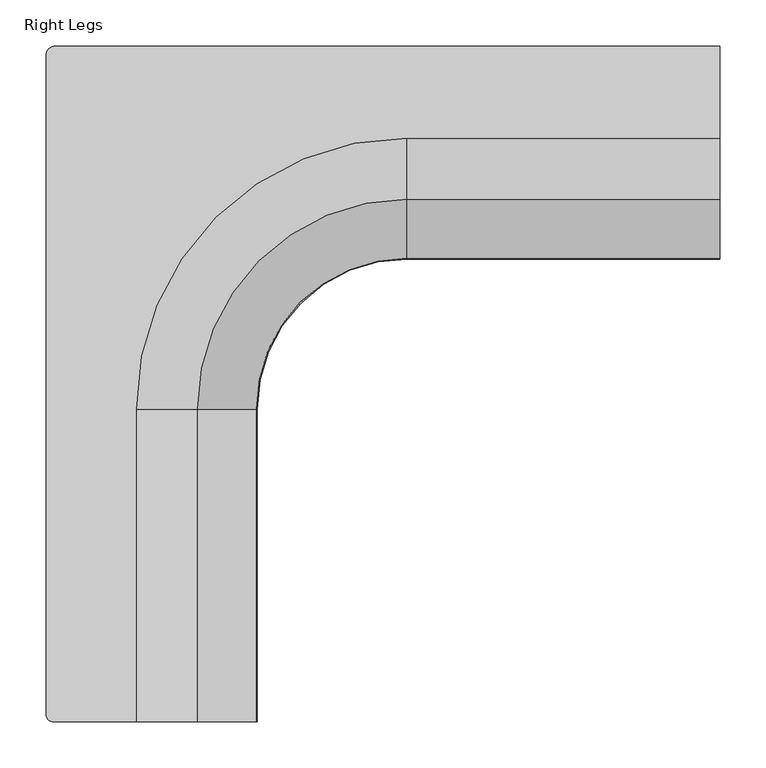
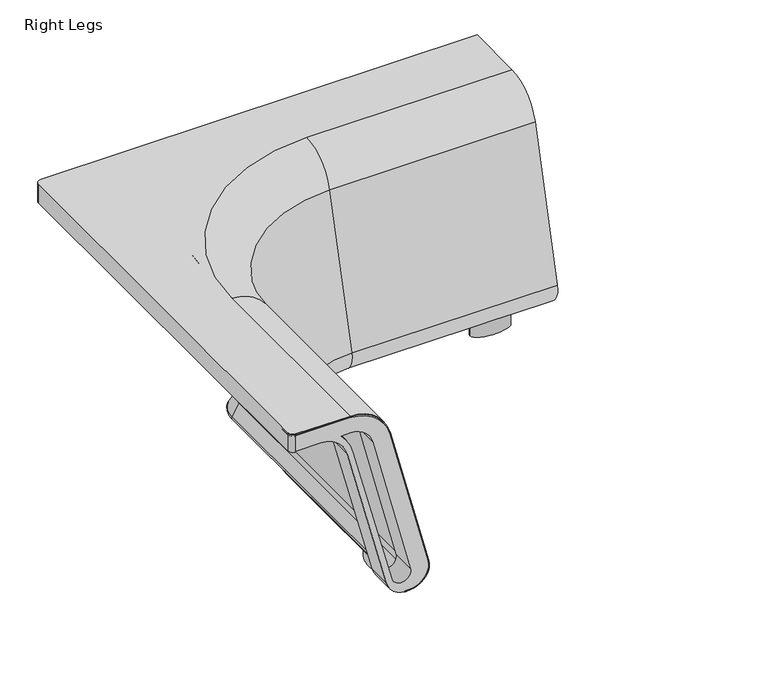
"""IFC4 building model written with IfcOpenShell, lengths in millimetres: furniture geometry, Right Legs."""

from ifc_helpers import new_model, si_unit, point, frame, origin, place, context, project, spatial, polyline, circle_curve, ellipse_curve, trimmed, source, transform, mapped, element, save
from ifc_brep_helpers import plane_surface, cylinder_surface, revolved_surface, extruded_surface, advanced_brep


def right_legs_55390736(model_context):
    return source(origin(), model_context, "Body", "AdvancedBrep", [
        advanced_brep(
        [(4.0928451, -727.9036447, 737.6898792), (4.0928451, -727.9036447, 738.7058792), (4.0928451, -12.4482706, 738.7058792), (4.0928451, -12.4482706, 737.6898792), (4.0928451, -12.4482706, 706.9539877), (4.0928451, -727.9036447, 706.9539877), (14.4529294, -2.0881863, 737.6898792), (14.4529294, -2.0881863, 738.7058792), (736.3766025, -2.0881863, 738.7058792), (736.3766025, -2.0881863, 706.9539877), (14.4529294, -2.0881863, 706.9539877), (11.3999571, -736.2935731, 737.6898792), (12.5630029, -736.3738026, 737.6898792), (12.5630029, -736.3738026, 738.7058792), (736.3753826, -102.0674231, 738.7058792), (736.3745724, -168.4700826, 687.3197435), (736.3737918, -232.4411346, 440.504753), (736.3741779, -200.7960971, 399.6121149), (736.37428, -192.4303931, 399.6121149), (736.37428, -192.4303931, 400.6281149), (736.3741779, -200.7960971, 400.6281149), (736.3738038, -231.4576323, 440.2498427), (736.3745844, -167.4865803, 687.0648332), (736.3753826, -102.0674231, 737.6898792), (736.376583, -3.6883863, 737.6898792), (736.376583, -3.6883863, 706.9539877), (102.0674231, -736.3738026, 738.7058792), (102.0674231, -396.6555944, 738.7058792), (396.6633339, -102.063278, 738.7058792), (396.6625237, -168.4659375, 687.3197435), (396.6617431, -232.4369896, 440.504753), (168.4700826, -396.6555944, 687.3197435), (232.4411346, -396.6555944, 440.504753), (102.0674231, -736.3738026, 737.6898792), (167.4865803, -736.3738026, 687.0648332), (231.4576323, -736.3738026, 440.2498427), (200.7960971, -736.3738026, 400.6281149), (192.4303931, -736.3738026, 400.6281149), (192.4303931, -736.3738026, 399.6121149), (200.7960971, -736.3738026, 399.6121149), (232.4411346, -736.3738026, 440.504753), (168.4700826, -736.3738026, 687.3197435), (396.6621292, -200.7919521, 399.6121149), (200.7960971, -396.6555944, 399.6121149), (192.4303931, -396.6555944, 399.6121149), (396.6622313, -192.4262481, 399.6121149), (396.6622313, -192.4262481, 400.6281149), (192.4303931, -396.6555944, 400.6281149), (200.7960971, -396.6555944, 400.6281149), (396.6621292, -200.7919521, 400.6281149), (396.6617551, -231.4534873, 440.2498427), (396.6625357, -167.4824352, 687.0648332), (396.6633339, -102.063278, 737.6898792), (102.0674231, -396.6555944, 737.6898792), (11.3999571, -734.6744383, 737.6898792), (5.6930451, -727.9036447, 737.6898792), (5.6930451, -12.4482706, 737.6898792), (14.4529294, -3.6883863, 737.6898792), (231.4576323, -396.6555944, 440.2498427), (167.4865803, -396.6555944, 687.0648332), (14.4529294, -3.6883863, 706.9539877), (5.6930451, -12.4482706, 706.9539877), (5.6930451, -727.9036447, 706.9539877), (11.3999571, -734.6744383, 706.9539877), (11.3999571, -736.2935731, 706.9539877)],
        [
            (0, 1),
            (1, 2),
            (2, 3),
            (3, 4),
            (4, 5),
            (5, 0),
            (6, 7),
            (7, 8),
            (8, 9),
            (9, 10),
            (10, 6),
            (0, 11, circle_curve(frame((12.5630029, -727.9036447, 737.6898792), z_axis=(0.0, 0.0, 1.0), x_axis=(1.0, 0.0, 0.0)), 8.4701579)),
            (11, 12, circle_curve(frame((12.5630029, -727.9036447, 737.6898792), z_axis=(0.0, 0.0, 1.0), x_axis=(1.0, 0.0, 0.0)), 8.4701579)),
            (12, 13),
            (13, 1, circle_curve(frame((12.5630029, -727.9036447, 738.7058792), z_axis=(0.0, 0.0, -1.0), x_axis=(1.0, 0.0, 0.0)), 8.4701579)),
            (6, 3, circle_curve(frame((14.4529294, -12.4482706, 737.6898792), z_axis=(0.0, 0.0, 1.0), x_axis=(1.0, 0.0, 0.0)), 10.3600843)),
            (2, 7, circle_curve(frame((14.4529294, -12.4482706, 738.7058792), z_axis=(0.0, 0.0, -1.0), x_axis=(1.0, 0.0, 0.0)), 10.3600843)),
            (14, 15, circle_curve(frame((736.3753826, -102.0674231, 670.1090872), z_axis=(0.9999999999255604, -1.2201603601564117e-05, 0.0), x_axis=(-1.2201603601564117e-05, -0.9999999999255604, 0.0)), 68.5967921)),
            (15, 16),
            (16, 17, circle_curve(frame((736.3741779, -200.7960971, 432.3027944), z_axis=(0.9999999999255604, -1.2201603601564117e-05, 0.0), x_axis=(-1.2201603601564117e-05, -0.9999999999255604, 0.0)), 32.6906795)),
            (17, 18),
            (18, 19),
            (19, 20),
            (20, 21, circle_curve(frame((736.3741779, -200.7960971, 432.3027944), z_axis=(-0.9999999999255604, 1.2201603601564117e-05, 0.0), x_axis=(-1.2201603601564117e-05, -0.9999999999255604, 0.0)), 31.6746795)),
            (21, 22),
            (22, 23, circle_curve(frame((736.3753826, -102.0674231, 670.1090872), z_axis=(-0.9999999999255604, 1.2201603601564117e-05, 0.0), x_axis=(-1.2201603601564117e-05, -0.9999999999255604, 0.0)), 67.5807921)),
            (23, 24),
            (24, 25),
            (25, 9),
            (8, 14),
            (26, 27),
            (27, 28, circle_curve(frame((396.6597394, -396.6555944, 738.7058792), z_axis=(0.0, 0.0, -1.0), x_axis=(1.2201603601028011e-05, 0.9999999999255604, 0.0)), 294.5923163)),
            (28, 14),
            (13, 26),
            (28, 29, circle_curve(frame((396.6633339, -102.063278, 670.1090872), z_axis=(0.9999999999255604, -1.2201603601564117e-05, 0.0), x_axis=(-1.2201603601564117e-05, -0.9999999999255604, 0.0)), 68.5967921)),
            (29, 15),
            (29, 30),
            (30, 16),
            (27, 31, circle_curve(frame((102.0674231, -396.6555944, 670.1090872), z_axis=(0.0, 1.0, 0.0), x_axis=(1.0, 0.0, 0.0)), 68.5967921)),
            (31, 29, circle_curve(frame((396.6597394, -396.6555944, 687.3197435), z_axis=(0.0, 0.0, -1.0), x_axis=(1.2201603601028011e-05, 0.9999999999255604, 0.0)), 228.1896568)),
            (31, 32),
            (32, 30, circle_curve(frame((396.6597394, -396.6555944, 440.504753), z_axis=(0.0, 0.0, -1.0), x_axis=(1.2201603601028011e-05, 0.9999999999255604, 0.0)), 164.2186048)),
            (33, 34, circle_curve(frame((102.0674231, -736.3738026, 670.1090872), z_axis=(0.0, 1.0, 0.0), x_axis=(1.0, 0.0, 0.0)), 67.5807921)),
            (34, 35),
            (35, 36, circle_curve(frame((200.7960971, -736.3738026, 432.3027944), z_axis=(0.0, 1.0, 0.0), x_axis=(1.0, 0.0, 0.0)), 31.6746795)),
            (36, 37),
            (37, 38),
            (38, 39),
            (39, 40, circle_curve(frame((200.7960971, -736.3738026, 432.3027944), z_axis=(0.0, -1.0, 0.0), x_axis=(1.0, 0.0, 0.0)), 32.6906795)),
            (40, 41),
            (41, 26, circle_curve(frame((102.0674231, -736.3738026, 670.1090872), z_axis=(0.0, -1.0, 0.0), x_axis=(1.0, 0.0, 0.0)), 68.5967921)),
            (12, 33),
            (41, 31),
            (40, 32),
            (30, 42, circle_curve(frame((396.6621292, -200.7919521, 432.3027944), z_axis=(0.9999999999255604, -1.2201603601564117e-05, 0.0), x_axis=(-1.2201603601564117e-05, -0.9999999999255604, 0.0)), 32.6906795)),
            (42, 17),
            (42, 43, circle_curve(frame((396.6597394, -396.6555944, 399.6121149), z_axis=(0.0, 0.0, 1.0), x_axis=(1.2201603601028011e-05, 0.9999999999255604, 0.0)), 195.8636423)),
            (43, 39),
            (38, 44),
            (44, 45, circle_curve(frame((396.6597394, -396.6555944, 399.6121149), z_axis=(0.0, 0.0, -1.0), x_axis=(1.2201603601028011e-05, 0.9999999999255604, 0.0)), 204.2293463)),
            (45, 18),
            (32, 43, circle_curve(frame((200.7960971, -396.6555944, 432.3027944), z_axis=(0.0, 1.0, 0.0), x_axis=(1.0, 0.0, 0.0)), 32.6906795)),
            (45, 46),
            (46, 19),
            (46, 47, circle_curve(frame((396.6597394, -396.6555944, 400.6281149), z_axis=(0.0, 0.0, 1.0), x_axis=(1.2201603601028011e-05, 0.9999999999255604, 0.0)), 204.2293463)),
            (47, 37),
            (36, 48),
            (48, 49, circle_curve(frame((396.6597394, -396.6555944, 400.6281149), z_axis=(0.0, 0.0, -1.0), x_axis=(1.2201603601028011e-05, 0.9999999999255604, 0.0)), 195.8636423)),
            (49, 20),
            (49, 50, circle_curve(frame((396.6621292, -200.7919521, 432.3027944), z_axis=(-0.9999999999255604, 1.2201603601564117e-05, 0.0), x_axis=(-1.2201603601564117e-05, -0.9999999999255604, 0.0)), 31.6746795)),
            (50, 21),
            (50, 51),
            (51, 22),
            (51, 52, circle_curve(frame((396.6633339, -102.063278, 670.1090872), z_axis=(-0.9999999999255604, 1.2201603601564117e-05, 0.0), x_axis=(-1.2201603601564117e-05, -0.9999999999255604, 0.0)), 67.5807921)),
            (52, 23),
            (52, 53, circle_curve(frame((396.6597394, -396.6555944, 737.6898792), z_axis=(0.0, 0.0, 1.0), x_axis=(1.2201603601028011e-05, 0.9999999999255604, 0.0)), 294.5923163)),
            (53, 33),
            (11, 54),
            (54, 55, circle_curve(frame((12.5630029, -727.9036447, 737.6898792), z_axis=(0.0, 0.0, -1.0), x_axis=(1.0, 0.0, 0.0)), 6.8699579)),
            (55, 56),
            (56, 57, circle_curve(frame((14.4529294, -12.4482706, 737.6898792), z_axis=(0.0, 0.0, -1.0), x_axis=(1.0, 0.0, 0.0)), 8.7598843)),
            (57, 24),
            (44, 47),
            (48, 58, circle_curve(frame((200.7960971, -396.6555944, 432.3027944), z_axis=(0.0, -1.0, 0.0), x_axis=(1.0, 0.0, 0.0)), 31.6746795)),
            (58, 50, circle_curve(frame((396.6597394, -396.6555944, 440.2498427), z_axis=(0.0, 0.0, -1.0), x_axis=(1.2201603601028011e-05, 0.9999999999255604, 0.0)), 165.2021071)),
            (58, 59),
            (59, 51, circle_curve(frame((396.6597394, -396.6555944, 687.0648332), z_axis=(0.0, 0.0, -1.0), x_axis=(1.2201603601028011e-05, 0.9999999999255604, 0.0)), 229.1731591)),
            (59, 53, circle_curve(frame((102.0674231, -396.6555944, 670.1090872), z_axis=(0.0, -1.0, 0.0), x_axis=(1.0, 0.0, 0.0)), 67.5807921)),
            (35, 58),
            (34, 59),
            (25, 60),
            (60, 61, circle_curve(frame((14.4529294, -12.4482706, 706.9539877), z_axis=(0.0, 0.0, 1.0), x_axis=(1.0, 0.0, 0.0)), 8.7598843)),
            (61, 62),
            (62, 63, circle_curve(frame((12.5630029, -727.9036447, 706.9539877), z_axis=(0.0, 0.0, 1.0), x_axis=(1.0, 0.0, 0.0)), 6.8699579)),
            (63, 64),
            (64, 5, circle_curve(frame((12.5630029, -727.9036447, 706.9539877), z_axis=(0.0, 0.0, -1.0), x_axis=(1.0, 0.0, 0.0)), 8.4701579)),
            (4, 10, circle_curve(frame((14.4529294, -12.4482706, 706.9539877), z_axis=(0.0, 0.0, -1.0), x_axis=(1.0, 0.0, 0.0)), 10.3600843)),
            (64, 11),
            (63, 54),
            (62, 55),
            (61, 56),
            (60, 57),
        ],
        [
            plane_surface(frame((4.0928451, -727.9036447, 1282.6551864), z_axis=(-1.0, 0.0, 0.0), x_axis=(0.0, 0.0, -1.0))),
            plane_surface(frame((14.4529294, -2.0881863, 1282.6551864), z_axis=(0.0, 1.0, 0.0), x_axis=(0.0, 0.0, -1.0))),
            cylinder_surface(frame((12.5630029, -727.9036447, 0.0), z_axis=(0.0, 0.0, -1.0), x_axis=(1.0, 0.0, 0.0)), 8.4701579),
            cylinder_surface(frame((14.4529294, -12.4482706, 0.0), z_axis=(0.0, 0.0, -1.0), x_axis=(1.0, 0.0, 0.0)), 10.3600843),
            plane_surface(frame((736.3738026, -231.5597394, 0.0992188), z_axis=(0.9999999999255604, -1.2201603601564117e-05, 0.0), x_axis=(0.0, 0.0, 1.0))),
            plane_surface(frame((736.3815867, 406.4, 738.7058792), z_axis=(0.0, 0.0, 1.0000000000000002), x_axis=(-0.9999999999255605, 1.2201603600809526e-05, 0.0))),
            cylinder_surface(frame((736.3753826, -102.0674231, 670.1090872), z_axis=(0.9999999999255604, -1.2201603601564117e-05, 0.0), x_axis=(-1.2201603601564117e-05, -0.9999999999255604, 0.0)), 68.5967921),
            plane_surface(frame((736.3745724, -168.4700826, 687.3197435), z_axis=(-1.181132389640143e-05, -0.9680140645005036, 0.25089593617615186), x_axis=(-0.9999999999255605, 1.2201603601407204e-05, 0.0))),
            revolved_surface(trimmed(ellipse_curve(frame((396.6633339, -102.063278, 670.1090872), z_axis=(0.9999999999255604, -1.2201603601028011e-05, 0.0), x_axis=(-1.2201603601028011e-05, -0.9999999999255604, 0.0)), 68.5967921, 68.5967921), [point((396.6633339, -102.063278, 738.7058792))], [point((396.6625237, -168.4659375, 687.3197435))], True, "CARTESIAN"), (396.6597394, -396.6555944, 0.0992188), (0.0, 0.0, 1.0)),
            revolved_surface(polyline([(396.6625237, -168.4659375, 687.3197435), (396.6617431, -232.4369896, 440.504753)]), (396.6597394, -396.6555944, 0.0992188), (0.0, 0.0, 1.0)),
            plane_surface(frame((231.5597394, -736.3738026, 0.0992188), z_axis=(0.0, -1.0, 0.0), x_axis=(0.0, 0.0, 1.0))),
            cylinder_surface(frame((102.0674231, -396.6555944, 670.1090872), z_axis=(0.0, 1.0, 0.0), x_axis=(1.0, 0.0, 0.0)), 68.5967921),
            plane_surface(frame((168.4700826, -396.6555944, 687.3197435), z_axis=(0.9680140645725621, 0.0, 0.25089593617615186), x_axis=(0.0, -1.0, 0.0))),
            cylinder_surface(frame((736.3741779, -200.7960971, 432.3027944), z_axis=(0.9999999999255604, -1.2201603601564117e-05, 0.0), x_axis=(-1.2201603601564117e-05, -0.9999999999255604, 0.0)), 32.6906795),
            plane_surface(frame((736.3741779, -200.7960971, 399.6121149), z_axis=(0.0, 0.0, -1.0000000000000002), x_axis=(-0.9999999999255605, 1.2201603601108366e-05, 0.0))),
            revolved_surface(trimmed(ellipse_curve(frame((396.6621292, -200.7919521, 432.3027944), z_axis=(0.9999999999255604, -1.2201603601028011e-05, 0.0), x_axis=(-1.2201603601028011e-05, -0.9999999999255604, 0.0)), 32.6906795, 32.6906795), [point((396.6617431, -232.4369896, 440.504753))], [point((396.6621292, -200.7919521, 399.6121149))], True, "CARTESIAN"), (396.6597394, -396.6555944, 0.0992188), (0.0, 0.0, 1.0)),
            cylinder_surface(frame((200.7960971, -396.6555944, 432.3027944), z_axis=(0.0, 1.0, 0.0), x_axis=(1.0, 0.0, 0.0)), 32.6906795),
            plane_surface(frame((736.37428, -192.4303931, 399.6121149), z_axis=(1.2201603601805652e-05, 0.9999999999255605, 0.0), x_axis=(-0.9999999999255605, 1.2201603601805652e-05, 0.0))),
            plane_surface(frame((736.37428, -192.4303931, 400.6281149), z_axis=(0.0, 0.0, 1.0000000000000002), x_axis=(-0.9999999999255605, 1.2201603601805652e-05, 0.0))),
            revolved_surface(polyline([(396.661742718117, -232.46663156588494, 432.3027944), (736.3737914380149, -232.4707765976424, 432.3027944)]), (736.3741779, -200.7960971, 432.3027944), (-0.9999999999255604, 1.2201603601564117e-05, 0.0)),
            plane_surface(frame((736.3738038, -231.4576323, 440.2498427), z_axis=(1.181132389717638e-05, 0.9680140645005036, -0.25089593617615186), x_axis=(-0.9999999999255605, 1.2201603602104489e-05, 0.0))),
            revolved_surface(polyline([(396.6625093059629, -169.6440701632121, 670.1090872), (736.3745580245878, -169.64821519496954, 670.1090872)]), (736.3753826, -102.0674231, 670.1090872), (-0.9999999999255604, 1.2201603601564117e-05, 0.0)),
            plane_surface(frame((736.3753826, -102.0674231, 737.6898792), z_axis=(0.0, 0.0, -1.0000000000000002), x_axis=(-0.9999999999255605, 1.2201603601357392e-05, 0.0))),
            cylinder_surface(frame((396.6597394, -396.6555944, 0.0992188), z_axis=(0.0, 0.0, 1.0), x_axis=(1.2201603601028011e-05, 0.9999999999255604, 0.0)), 204.2293463),
            revolved_surface(trimmed(ellipse_curve(frame((396.6621292, -200.7919521, 432.3027944), z_axis=(-0.9999999999255604, 1.2201603601028011e-05, 0.0), x_axis=(-1.2201603601028011e-05, -0.9999999999255604, 0.0)), 31.6746795, 31.6746795), [point((396.6621292, -200.7919521, 400.6281149))], [point((396.6617551, -231.4534873, 440.2498427))], True, "CARTESIAN"), (396.6597394, -396.6555944, 0.0992188), (0.0, 0.0, 1.0)),
            revolved_surface(polyline([(396.6617551, -231.4534873, 440.2498427), (396.6625357, -167.4824352, 687.0648332)]), (396.6597394, -396.6555944, 0.0992188), (0.0, 0.0, 1.0)),
            revolved_surface(trimmed(ellipse_curve(frame((396.6633339, -102.063278, 670.1090872), z_axis=(-0.9999999999255604, 1.2201603601028011e-05, 0.0), x_axis=(-1.2201603601028011e-05, -0.9999999999255604, 0.0)), 67.5807921, 67.5807921), [point((396.6625357, -167.4824352, 687.0648332))], [point((396.6633339, -102.063278, 737.6898792))], True, "CARTESIAN"), (396.6597394, -396.6555944, 0.0992188), (0.0, 0.0, 1.0)),
            plane_surface(frame((192.4303931, -396.6555944, 399.6121149), z_axis=(-1.0, 0.0, 0.0), x_axis=(0.0, -1.0, 0.0))),
            revolved_surface(polyline([(232.4707766, -736.3738026, 432.3027944), (232.4707766, -396.6555944, 432.3027944)]), (200.7960971, -396.6555944, 432.3027944), (0.0, -1.0, 0.0)),
            plane_surface(frame((231.4576323, -396.6555944, 440.2498427), z_axis=(-0.9680140645725621, 0.0, -0.25089593617615186), x_axis=(0.0, -1.0, 0.0))),
            revolved_surface(polyline([(169.64821519999998, -736.3738026, 670.1090872), (169.64821519999998, -396.6555944, 670.1090872)]), (102.0674231, -396.6555944, 670.1090872), (0.0, -1.0, 0.0)),
            plane_surface(frame((24.8130137, -12.4482706, 706.9539877), z_axis=(0.0, 0.0, -1.0), x_axis=(0.0, -1.0, 0.0))),
            cylinder_surface(frame((14.4529294, -12.4482706, 706.9539877), z_axis=(0.0, 0.0, 1.0), x_axis=(1.0, 0.0, 0.0)), 10.3600843),
            cylinder_surface(frame((12.5630029, -727.9036447, 706.9539877), z_axis=(0.0, 0.0, 1.0), x_axis=(1.0, 0.0, 0.0)), 8.4701579),
            plane_surface(frame((11.3999571, -736.2935731, 737.6898792), z_axis=(1.0, 0.0, 0.0), x_axis=(0.0, 0.0, -1.0))),
            revolved_surface(polyline([(19.4329608, -727.9036447, 706.9539877), (19.4329608, -727.9036447, 737.6898792)]), (12.5630029, -727.9036447, 706.9539877), (0.0, 0.0, -1.0)),
            plane_surface(frame((5.6930451, -727.9036447, 737.6898792), z_axis=(1.0, 0.0, 0.0), x_axis=(0.0, 0.0, -1.0))),
            revolved_surface(polyline([(23.212813699999998, -12.4482706, 706.9539877), (23.212813699999998, -12.4482706, 737.6898792)]), (14.4529294, -12.4482706, 706.9539877), (0.0, 0.0, -1.0)),
            plane_surface(frame((14.4529294, -3.6883863, 737.6898792), z_axis=(0.0, -1.0, 0.0), x_axis=(0.0, 0.0, -1.0))),
        ],
        [
            (0, [[1, 2, 3, 4, 5, 6]]),
            (1, [[7, 8, 9, 10, 11]]),
            (2, [[-1, 12, 13, 14, 15]]),
            (3, [[-7, 16, -3, 17]]),
            (4, [[18, 19, 20, 21, 22, 23, 24, 25, 26, 27, 28, 29, -9, 30]]),
            (5, [[31, 32, 33, -30, -8, -17, -2, -15, 34]]),
            (6, [[-18, -33, 35, 36]]),
            (7, [[-19, -36, 37, 38]]),
            (8, [[-32, 39, 40, -35]]),
            (9, [[-37, -40, 41, 42]]),
            (10, [[43, 44, 45, 46, 47, 48, 49, 50, 51, -34, -14, 52]]),
            (11, [[-31, -51, 53, -39]]),
            (12, [[-41, -53, -50, 54]]),
            (13, [[-20, -38, 55, 56]]),
            (14, [[-21, -56, 57, 58, -48, 59, 60, 61]]),
            (15, [[-42, 62, -57, -55]]),
            (16, [[-49, -58, -62, -54]]),
            (17, [[-22, -61, 63, 64]]),
            (18, [[-23, -64, 65, 66, -46, 67, 68, 69]]),
            (19, [[-24, -69, 70, 71]]),
            (20, [[-25, -71, 72, 73]]),
            (21, [[-26, -73, 74, 75]]),
            (22, [[-75, 76, 77, -52, -13, 78, 79, 80, 81, 82, -27]]),
            (23, [[-60, 83, -65, -63]]),
            (24, [[-68, 84, 85, -70]]),
            (25, [[-72, -85, 86, 87]]),
            (26, [[-74, -87, 88, -76]]),
            (27, [[-47, -66, -83, -59]]),
            (28, [[-45, 89, -84, -67]]),
            (29, [[-44, 90, -86, -89]]),
            (30, [[-43, -77, -88, -90]]),
            (31, [[-10, -29, 91, 92, 93, 94, 95, 96, -5, 97]]),
            (32, [[-97, -4, -16, -11]]),
            (33, [[-96, 98, -12, -6]]),
            (34, [[-95, 99, -78, -98]]),
            (35, [[-94, 100, -79, -99]]),
            (36, [[-93, 101, -80, -100]]),
            (37, [[-92, 102, -81, -101]]),
            (38, [[-91, -28, -82, -102]]),
        ],
    ),
        advanced_brep(
        [(206.4803363, -668.581808, 403.3751371), (206.4803363, -601.4756155, 403.3751371), (206.4803363, -668.581808, 381.0), (206.4803363, -601.4756155, 381.0)],
        [
            (0, 1, ellipse_curve(frame((206.4803363, -635.0287117, 403.3751371), z_axis=(0.0, 0.0, 1.0), x_axis=(0.0, 1.0, 0.0)), 33.5530962, 13.5066429)),
            (1, 0, ellipse_curve(frame((206.4803363, -635.0287117, 403.3751371), z_axis=(0.0, 0.0, 1.0), x_axis=(0.0, 1.0, 0.0)), 33.5530962, 13.5066429)),
            (2, 3, ellipse_curve(frame((206.4803363, -635.0287117, 381.0), z_axis=(0.0, 0.0, -1.0), x_axis=(0.0, 1.0, 0.0)), 33.5530962, 13.5066429)),
            (3, 2, ellipse_curve(frame((206.4803363, -635.0287117, 381.0), z_axis=(0.0, 0.0, -1.0), x_axis=(0.0, 1.0, 0.0)), 33.5530962, 13.5066429)),
            (1, 3),
            (2, 0),
        ],
        [
            plane_surface(frame((206.4803363, -601.4756155, 403.3751371), z_axis=(0.0, 0.0, 1.0), x_axis=(-1.0, 0.0, 0.0))),
            plane_surface(frame((206.4803363, -601.4756155, 381.0), z_axis=(0.0, 0.0, -1.0), x_axis=(1.0, 0.0, 0.0))),
            extruded_surface(trimmed(ellipse_curve(frame((206.4803363, -635.0287117, 358.6248629), z_axis=(0.0, 0.0, 1.0), x_axis=(0.0, 1.0, 0.0)), 33.5530962, 13.5066429), [point((206.4803363, -601.4756155, 358.6248629))], [point((206.4803363, -668.581808, 358.6248629))], True, "CARTESIAN"), (0.0, 0.0, 22.375137100000018), 22.375137100000018),
            extruded_surface(trimmed(ellipse_curve(frame((206.4803363, -635.0287117, 358.6248629), z_axis=(0.0, 0.0, 1.0), x_axis=(0.0, 1.0, 0.0)), 33.5530962, 13.5066429), [point((206.4803363, -668.581808, 358.6248629))], [point((206.4803363, -601.4756155, 358.6248629))], True, "CARTESIAN"), (0.0, 0.0, 22.375137100000018), 22.375137100000018),
        ],
        [
            (0, [[1, 2]]),
            (1, [[3, 4]]),
            (2, [[-2, 5, -3, 6]]),
            (3, [[-1, -6, -4, -5]]),
        ],
    ),
        advanced_brep(
        [(606.5149378, -206.4844747, 407.9918445), (673.6211303, -206.4844747, 407.9918445), (606.5149378, -206.4844747, 381.0), (673.6211303, -206.4844747, 381.0)],
        [
            (0, 1, ellipse_curve(frame((640.0680341, -206.4844747, 407.9918445), z_axis=(0.0, 0.0, 1.0), x_axis=(1.0, 0.0, 0.0)), 33.5530962, 13.5066429)),
            (1, 0, ellipse_curve(frame((640.0680341, -206.4844747, 407.9918445), z_axis=(0.0, 0.0, 1.0), x_axis=(1.0, 0.0, 0.0)), 33.5530962, 13.5066429)),
            (2, 3, ellipse_curve(frame((640.0680341, -206.4844747, 381.0), z_axis=(0.0, 0.0, -1.0), x_axis=(1.0, 0.0, 0.0)), 33.5530962, 13.5066429)),
            (3, 2, ellipse_curve(frame((640.0680341, -206.4844747, 381.0), z_axis=(0.0, 0.0, -1.0), x_axis=(1.0, 0.0, 0.0)), 33.5530962, 13.5066429)),
            (1, 3),
            (2, 0),
        ],
        [
            plane_surface(frame((673.6211303, -206.4844747, 407.9918445), z_axis=(0.0, 0.0, 1.0), x_axis=(0.0, 1.0, 0.0))),
            plane_surface(frame((673.6211303, -206.4844747, 381.0), z_axis=(0.0, 0.0, -1.0), x_axis=(0.0, -1.0, 0.0))),
            extruded_surface(trimmed(ellipse_curve(frame((640.0680341, -206.4844747, 354.0081555), z_axis=(0.0, 0.0, 1.0), x_axis=(1.0, 0.0, 0.0)), 33.5530962, 13.5066429), [point((673.6211303, -206.4844747, 354.0081555))], [point((606.5149378, -206.4844747, 354.0081555))], True, "CARTESIAN"), (0.0, 0.0, 26.991844500000013), 26.991844500000013),
            extruded_surface(trimmed(ellipse_curve(frame((640.0680341, -206.4844747, 354.0081555), z_axis=(0.0, 0.0, 1.0), x_axis=(1.0, 0.0, 0.0)), 33.5530962, 13.5066429), [point((606.5149378, -206.4844747, 354.0081555))], [point((673.6211303, -206.4844747, 354.0081555))], True, "CARTESIAN"), (0.0, 0.0, 26.991844500000013), 26.991844500000013),
        ],
        [
            (0, [[1, 2]]),
            (1, [[3, 4]]),
            (2, [[-2, 5, -3, 6]]),
            (3, [[-1, -6, -4, -5]]),
        ],
    ),
        advanced_brep(
        [(4.0928451, -727.9036447, 708.6966867), (4.0928451, -727.9036447, 735.4755137), (4.0928451, -695.6642235, 735.4755137), (4.0928451, -695.6642235, 708.6966867), (12.5630029, -736.3738026, 735.4755137), (12.5630029, -736.3738026, 708.6966867), (53.3675541, -736.3738026, 708.6966867), (97.3697672, -736.3738026, 674.6745672), (162.2222659, -736.3738026, 425.313919), (230.6712686, -736.3738026, 443.0853769), (168.2524008, -736.3738026, 683.9116846), (101.6201207, -736.3738026, 735.4755137), (171.7403513, -736.3738026, 429.3472792), (107.578181, -736.3738026, 673.3498636), (87.27159, -736.3738026, 708.6966867), (102.9644436, -736.3738026, 708.6966867), (139.8694251, -736.3738026, 680.0641225), (202.1602016, -736.3738026, 437.2486429), (101.6201207, -695.6642235, 735.4755137), (168.2524008, -695.6642235, 683.9116846), (230.6712686, -695.6642235, 443.0853769), (162.2222659, -695.6642235, 425.313919), (97.3697672, -695.6642235, 674.6745672), (53.3675541, -695.6642235, 708.6966867), (171.7403513, -695.6642235, 429.3472792), (202.1602016, -695.6642235, 437.2486429), (139.8694251, -695.6642235, 680.0641225), (102.9644436, -695.6642235, 708.6966867), (87.27159, -695.6642235, 708.6966867), (107.578181, -695.6642235, 673.3498636)],
        [
            (0, 1),
            (1, 2),
            (2, 3),
            (3, 0),
            (4, 5),
            (5, 6),
            (6, 7, circle_curve(frame((53.3675541, -736.3738026, 663.2306867), z_axis=(0.0, 1.0, 0.0), x_axis=(1.0, 0.0, 0.0)), 45.466)),
            (7, 8),
            (8, 9, circle_curve(frame((196.4430676, -736.3738026, 434.2138978), z_axis=(0.0, -1.0, 0.0), x_axis=(1.0, 0.0, 0.0)), 35.359198)),
            (9, 10),
            (10, 11, circle_curve(frame((101.6201207, -736.3738026, 666.6415137), z_axis=(0.0, -1.0, 0.0), x_axis=(1.0, 0.0, 0.0)), 68.834)),
            (11, 4),
            (12, 13),
            (13, 14, circle_curve(frame((32.1254574, -736.3738026, 653.5090471), z_axis=(0.0, -1.0, 0.0), x_axis=(1.0, 0.0, 0.0)), 78.017764)),
            (14, 15),
            (15, 16, circle_curve(frame((102.9644436, -736.3738026, 670.5966867), z_axis=(0.0, 1.0, 0.0), x_axis=(1.0, 0.0, 0.0)), 38.1)),
            (16, 17),
            (17, 12, circle_curve(frame((186.9383936, -736.3738026, 433.3437097), z_axis=(0.0, 1.0, 0.0), x_axis=(1.0, 0.0, 0.0)), 15.7147047)),
            (0, 5, circle_curve(frame((12.5630029, -727.9036447, 708.6966867), z_axis=(0.0, 0.0, 1.0), x_axis=(1.0, 0.0, 0.0)), 8.4701579)),
            (4, 1, circle_curve(frame((12.5630029, -727.9036447, 735.4755137), z_axis=(0.0, 0.0, -1.0), x_axis=(1.0, 0.0, 0.0)), 8.4701579)),
            (18, 19, circle_curve(frame((101.6201207, -695.6642235, 666.6415137), z_axis=(0.0, 1.0, 0.0), x_axis=(1.0, 0.0, 0.0)), 68.834)),
            (19, 20),
            (20, 21, circle_curve(frame((196.4430676, -695.6642235, 434.2138978), z_axis=(0.0, 1.0, 0.0), x_axis=(1.0, 0.0, 0.0)), 35.359198)),
            (21, 22),
            (22, 23, circle_curve(frame((53.3675541, -695.6642235, 663.2306867), z_axis=(0.0, -1.0, 0.0), x_axis=(1.0, 0.0, 0.0)), 45.466)),
            (23, 3),
            (2, 18),
            (24, 25, circle_curve(frame((186.9383936, -695.6642235, 433.3437097), z_axis=(0.0, -1.0, 0.0), x_axis=(1.0, 0.0, 0.0)), 15.7147047)),
            (25, 26),
            (26, 27, circle_curve(frame((102.9644436, -695.6642235, 670.5966867), z_axis=(0.0, -1.0, 0.0), x_axis=(1.0, 0.0, 0.0)), 38.1)),
            (27, 28),
            (28, 29, circle_curve(frame((32.1254574, -695.6642235, 653.5090471), z_axis=(0.0, 1.0, 0.0), x_axis=(1.0, 0.0, 0.0)), 78.017764)),
            (29, 24),
            (29, 13),
            (12, 24),
            (28, 14),
            (27, 15),
            (26, 16),
            (25, 17),
            (23, 6),
            (22, 7),
            (21, 8),
            (19, 10),
            (9, 20),
            (18, 11),
        ],
        [
            plane_surface(frame((4.0928451, -727.9036447, 1282.6551864), z_axis=(-1.0, 0.0, 0.0), x_axis=(0.0, 0.0, -1.0))),
            plane_surface(frame((269.5782822, -736.3738026, 1282.6551864), z_axis=(0.0, -1.0, 0.0), x_axis=(0.0, 0.0, -1.0))),
            cylinder_surface(frame((12.5630029, -727.9036447, 0.0), z_axis=(0.0, 0.0, -1.0), x_axis=(1.0, 0.0, 0.0)), 8.4701579),
            plane_surface(frame((107.578181, -695.6642235, 673.3498636), z_axis=(0.0, 1.0, 0.0), x_axis=(0.2543115245127428, 0.0, -0.9671223544619392))),
            plane_surface(frame((171.7403513, -804.2100542, 429.3472792), z_axis=(0.9671223544619392, 0.0, 0.2543115245127428), x_axis=(0.0, 1.0, 0.0))),
            cylinder_surface(frame((32.1254574, -695.6642235, 653.5090471), z_axis=(0.0, -1.0, 0.0), x_axis=(1.0, 0.0, 0.0)), 78.017764),
            plane_surface(frame((87.27159, -804.2100542, 708.6966867), z_axis=(0.0, 0.0, -1.0), x_axis=(0.0, 1.0, 0.0))),
            revolved_surface(polyline([(141.0644436, -695.6642235, 670.5966867), (141.0644436, -736.3738026, 670.5966867)]), (102.9644436, -695.6642235, 670.5966867), (0.0, 1.0, 0.0)),
            plane_surface(frame((139.8694251, -804.2100542, 680.0641225), z_axis=(-0.9686346852607111, 0.0, -0.24848912754863797), x_axis=(0.0, 1.0, 0.0))),
            revolved_surface(polyline([(202.6530983, -695.6642235, 433.3437097), (202.6530983, -736.3738026, 433.3437097)]), (186.9383936, -695.6642235, 433.3437097), (0.0, 1.0, 0.0)),
            plane_surface(frame((-389.6946104, -804.2100542, 708.6966867), z_axis=(0.0, 0.0, -1.0), x_axis=(0.0, 1.0, 0.0))),
            revolved_surface(polyline([(98.8335541, -695.6642235, 663.2306867), (98.8335541, -736.3738026, 663.2306867)]), (53.3675541, 0.0, 663.2306867), (0.0, 1.0, 0.0)),
            plane_surface(frame((97.3697672, -804.2100542, 674.6745672), z_axis=(-0.967804800564199, 0.0, -0.2517019427912527), x_axis=(0.0, 1.0, 0.0))),
            plane_surface(frame((230.6712686, -804.2100542, 443.0853769), z_axis=(0.968014064572562, 0.0, 0.25089593617615225), x_axis=(0.0, 1.0, 0.0))),
            cylinder_surface(frame((101.6201207, 0.0, 666.6415137), z_axis=(0.0, -1.0, 0.0), x_axis=(1.0, 0.0, 0.0)), 68.834),
            plane_surface(frame((101.6201207, -804.2100542, 735.4755137), z_axis=(0.0, 0.0, 1.0), x_axis=(0.0, 1.0, 0.0))),
            cylinder_surface(frame((196.4430676, 0.0, 434.2138978), z_axis=(0.0, -1.0, 0.0), x_axis=(1.0, 0.0, 0.0)), 35.359198),
        ],
        [
            (0, [[1, 2, 3, 4]]),
            (1, [[5, 6, 7, 8, 9, 10, 11, 12], [13, 14, 15, 16, 17, 18]]),
            (2, [[-1, 19, -5, 20]]),
            (3, [[21, 22, 23, 24, 25, 26, -3, 27], [28, 29, 30, 31, 32, 33]]),
            (4, [[-33, 34, -13, 35]]),
            (5, [[-32, 36, -14, -34]]),
            (6, [[-31, 37, -15, -36]]),
            (7, [[-30, 38, -16, -37]]),
            (8, [[-29, 39, -17, -38]]),
            (9, [[-28, -35, -18, -39]]),
            (10, [[-26, 40, -6, -19, -4]]),
            (11, [[-25, 41, -7, -40]]),
            (12, [[-24, 42, -8, -41]]),
            (13, [[-22, 43, -10, 44]]),
            (14, [[-21, 45, -11, -43]]),
            (15, [[-27, -2, -20, -12, -45]]),
            (16, [[-23, -44, -9, -42]]),
        ],
    ),
        advanced_brep(
        [(691.3118002, -2.0881863, 707.2084054), (691.3118002, -2.0881863, 737.6898792), (736.6000242, -2.0881863, 737.6898792), (736.6000242, -2.0881863, 707.2084054), (691.3118002, -53.5130473, 707.2084054), (691.3118002, -97.5152603, 673.186286), (691.3118002, -161.7026996, 426.3828199), (691.3118002, -231.4428526, 440.2076474), (691.3118002, -167.4088622, 687.2654687), (691.3118002, -102.2489719, 737.6898792), (691.3118002, -171.4729752, 429.4464979), (691.3118002, -107.3108049, 673.4490824), (691.3118002, -87.0042139, 708.7959054), (691.3118002, -102.6970675, 708.7959054), (691.3118002, -139.6020491, 680.1633412), (691.3118002, -201.8928255, 437.3478617), (736.6000242, -102.2489719, 737.6898792), (736.6000242, -167.4088622, 687.2654687), (736.6000242, -231.4428526, 440.2076474), (736.6000242, -161.7026996, 426.3828199), (736.6000242, -97.5152603, 673.186286), (736.6000242, -53.5130473, 707.2084054), (736.6000242, -171.4729752, 429.4464979), (736.6000242, -201.8928255, 437.3478617), (736.6000242, -139.6020491, 680.1633412), (736.6000242, -102.6970675, 708.7959054), (736.6000242, -87.0042139, 708.7959054), (736.6000242, -107.3108049, 673.4490824)],
        [
            (0, 1),
            (1, 2),
            (2, 3),
            (3, 0),
            (4, 5, circle_curve(frame((691.3118002, -53.5130473, 661.7424054), z_axis=(1.0, 0.0, 0.0), x_axis=(0.0, -1.0, 0.0)), 45.466)),
            (5, 6),
            (6, 7, circle_curve(frame((691.3118002, -196.1662588, 435.345934), z_axis=(-1.0, 0.0, 0.0), x_axis=(0.0, -1.0, 0.0)), 35.6100313)),
            (7, 8),
            (8, 9, circle_curve(frame((691.3118002, -102.2489719, 670.376921), z_axis=(-1.0, 0.0, 0.0), x_axis=(0.0, -1.0, 0.0)), 67.3129582)),
            (9, 1),
            (0, 4),
            (10, 11),
            (11, 12, circle_curve(frame((691.3118002, -31.8580813, 653.6082659), z_axis=(-1.0, 0.0, 0.0), x_axis=(0.0, -1.0, 0.0)), 78.017764)),
            (12, 13),
            (13, 14, circle_curve(frame((691.3118002, -102.6970675, 670.6959054), z_axis=(1.0, 0.0, 0.0), x_axis=(0.0, -1.0, 0.0)), 38.1)),
            (14, 15),
            (15, 10, circle_curve(frame((691.3118002, -186.6710175, 433.4429284), z_axis=(1.0, 0.0, 0.0), x_axis=(0.0, -1.0, 0.0)), 15.7147047)),
            (16, 17, circle_curve(frame((736.6000242, -102.2489719, 670.376921), z_axis=(1.0, 0.0, 0.0), x_axis=(0.0, -1.0, 0.0)), 67.3129582)),
            (17, 18),
            (18, 19, circle_curve(frame((736.6000242, -196.1662588, 435.345934), z_axis=(1.0, 0.0, 0.0), x_axis=(0.0, -1.0, 0.0)), 35.6100313)),
            (19, 20),
            (20, 21, circle_curve(frame((736.6000242, -53.5130473, 661.7424054), z_axis=(-1.0, 0.0, 0.0), x_axis=(0.0, -1.0, 0.0)), 45.466)),
            (21, 3),
            (2, 16),
            (22, 23, circle_curve(frame((736.6000242, -186.6710175, 433.4429284), z_axis=(-1.0, 0.0, 0.0), x_axis=(0.0, -1.0, 0.0)), 15.7147047)),
            (23, 24),
            (24, 25, circle_curve(frame((736.6000242, -102.6970675, 670.6959054), z_axis=(-1.0, 0.0, 0.0), x_axis=(0.0, -1.0, 0.0)), 38.1)),
            (25, 26),
            (26, 27, circle_curve(frame((736.6000242, -31.8580813, 653.6082659), z_axis=(1.0, 0.0, 0.0), x_axis=(0.0, -1.0, 0.0)), 78.017764)),
            (27, 22),
            (10, 22),
            (27, 11),
            (26, 12),
            (25, 13),
            (24, 14),
            (23, 15),
            (21, 4),
            (20, 5),
            (19, 6),
            (18, 7),
            (17, 8),
            (16, 9),
        ],
        [
            plane_surface(frame((14.4529294, -2.0881863, 1282.6551864), z_axis=(0.0, 1.0, 0.0), x_axis=(0.0, 0.0, -1.0))),
            plane_surface(frame((691.3118002, -107.3108049, 673.4490824), z_axis=(-1.0000000000000002, 0.0, 0.0), x_axis=(0.0, 0.2543115245127433, 0.9671223544619391))),
            plane_surface(frame((736.6000242, -107.3108049, 673.4490824), z_axis=(1.0000000000000002, 0.0, 0.0), x_axis=(0.0, -0.2543115245127433, -0.9671223544619391))),
            plane_surface(frame((691.3118002, -171.4729752, 429.4464979), z_axis=(0.0, -0.9671223544619391, 0.2543115245127433), x_axis=(1.0, 0.0, 0.0))),
            cylinder_surface(frame((736.6000242, -31.8580813, 653.6082659), z_axis=(-1.0, 0.0, 0.0), x_axis=(0.0, -1.0, 0.0)), 78.017764),
            plane_surface(frame((691.3118002, -87.0042139, 708.7959054), z_axis=(0.0, 0.0, -1.0), x_axis=(1.0, 0.0, 0.0))),
            revolved_surface(polyline([(736.6000242, -140.7970675, 670.6959054), (691.3118002, -140.7970675, 670.6959054)]), (736.6000242, -102.6970675, 670.6959054), (1.0, 0.0, 0.0)),
            plane_surface(frame((691.3118002, -139.6020491, 680.1633412), z_axis=(0.0, 0.968634685260711, -0.24848912754863844), x_axis=(1.0, 0.0, 0.0))),
            revolved_surface(polyline([(736.6000242, -202.3857222, 433.4429284), (691.3118002, -202.3857222, 433.4429284)]), (736.6000242, -186.6710175, 433.4429284), (1.0, 0.0, 0.0)),
            plane_surface(frame((691.3118002, 389.9622045, 707.2084054), z_axis=(0.0, 0.0, -1.0), x_axis=(1.0, 0.0, 0.0))),
            revolved_surface(polyline([(736.6000242, -98.97904729999999, 661.7424054), (691.3118002000001, -98.97904729999999, 661.7424054)]), (1939.6017094, -53.5130473, 661.7424054), (1.0, 0.0, 0.0)),
            plane_surface(frame((691.3118002, -97.5152603, 673.186286), z_axis=(0.0, 0.967804800564199, -0.25170194279125263), x_axis=(1.0, 0.0, 0.0))),
            cylinder_surface(frame((1939.6017094, -196.1662588, 435.345934), z_axis=(-1.0, 0.0, 0.0), x_axis=(0.0, -1.0, 0.0)), 35.6100313),
            plane_surface(frame((691.3118002, -231.4428526, 440.2076474), z_axis=(0.0, -0.968014064577098, 0.25089593615865086), x_axis=(1.0, 0.0, 0.0))),
            cylinder_surface(frame((1939.6017094, -102.2489719, 670.376921), z_axis=(-1.0, 0.0, 0.0), x_axis=(0.0, -1.0, 0.0)), 67.3129582),
            plane_surface(frame((691.3118002, -102.2489719, 737.6898792), z_axis=(0.0, 0.0, 1.0), x_axis=(1.0, 0.0, 0.0))),
        ],
        [
            (0, [[1, 2, 3, 4]]),
            (1, [[5, 6, 7, 8, 9, 10, -1, 11], [12, 13, 14, 15, 16, 17]]),
            (2, [[18, 19, 20, 21, 22, 23, -3, 24], [25, 26, 27, 28, 29, 30]]),
            (3, [[-12, 31, -30, 32]]),
            (4, [[-13, -32, -29, 33]]),
            (5, [[-14, -33, -28, 34]]),
            (6, [[-15, -34, -27, 35]]),
            (7, [[-16, -35, -26, 36]]),
            (8, [[-17, -36, -25, -31]]),
            (9, [[37, -11, -4, -23]]),
            (10, [[-5, -37, -22, 38]]),
            (11, [[-6, -38, -21, 39]]),
            (12, [[-7, -39, -20, 40]]),
            (13, [[-8, -40, -19, 41]]),
            (14, [[-9, -41, -18, 42]]),
            (15, [[-42, -24, -2, -10]]),
        ],
    ),
        advanced_brep(
        [(694.4879102, -140.5883497, 719.5566605), (694.4869816, -216.6937483, 425.9245779), (694.487231, -196.2548943, 399.5128962), (694.4872776, -192.4298433, 399.5128962), (694.4873089, -189.8653707, 404.0455861), (694.4871668, -201.5120747, 423.4289565), (694.4871467, -203.1646992, 434.6967079), (694.4879106, -140.5537589, 680.1143052), (694.4883611, -103.6362327, 708.7959054), (694.4894637, -13.2699517, 708.7959054), (694.4894637, -13.2699517, 719.5566605), (242.4379271, -103.6307169, 708.7959054), (106.8117825, -239.2552067, 708.7959054), (106.8117825, -695.6642235, 708.7959054), (12.7, -695.6642235, 708.7959054), (12.7, -23.630036, 708.7959054), (23.0600843, -13.2699517, 708.7959054), (143.7638995, -695.6642235, 719.5566605), (143.7638995, -239.2552067, 719.5566605), (242.4374763, -140.582834, 719.5566605), (23.0600843, -13.2699517, 719.5566605), (12.7, -23.630036, 719.5566605), (12.7, -695.6642235, 719.5566605), (242.4365476, -216.6882326, 425.9245779), (219.8692981, -239.2552067, 425.9245779), (143.7293087, -695.6642235, 680.1143052), (206.340249, -695.6642235, 434.6967079), (204.6876245, -695.6642235, 423.4289565), (193.0409205, -695.6642235, 404.0455861), (195.6053931, -695.6642235, 399.5128962), (199.4304441, -695.6642235, 399.5128962), (219.8692981, -695.6642235, 425.9245779), (242.436797, -196.2493785, 399.5128962), (199.4304441, -239.2552067, 399.5128962), (195.6053931, -239.2552067, 399.5128962), (242.4368437, -192.4243275, 399.5128962), (242.436875, -189.859855, 404.0455861), (242.4367329, -201.5065589, 423.4289565), (242.4367127, -203.1591835, 434.6967079), (242.4374767, -140.5482432, 680.1143052), (193.0409205, -239.2552067, 404.0455861), (204.6876245, -239.2552067, 423.4289565), (206.340249, -239.2552067, 434.6967079), (143.7293087, -239.2552067, 680.1143052)],
        [
            (0, 1),
            (1, 2, circle_curve(frame((694.487231, -196.2548943, 420.627108), z_axis=(0.9999999999255604, -1.2201603601564117e-05, 0.0), x_axis=(-1.2201603601564117e-05, -0.9999999999255604, 0.0)), 21.1142118)),
            (2, 3),
            (3, 4, circle_curve(frame((694.4872776, -192.4298433, 402.5046955), z_axis=(0.9999999999255604, -1.2201603601564117e-05, 0.0), x_axis=(-1.2201603601564117e-05, -0.9999999999255604, 0.0)), 2.9917993)),
            (4, 5),
            (5, 6, circle_curve(frame((694.4873214, -188.8410709, 431.0424637), z_axis=(-0.9999999999255604, 1.2201603601564117e-05, 0.0), x_axis=(-1.2201603601564117e-05, -0.9999999999255604, 0.0)), 14.7824162)),
            (6, 7),
            (7, 8, circle_curve(frame((694.4883611, -103.6362327, 670.6959054), z_axis=(-0.9999999999255604, 1.2201603601564117e-05, 0.0), x_axis=(-1.2201603601564117e-05, -0.9999999999255604, 0.0)), 38.1)),
            (8, 9),
            (9, 10),
            (10, 0),
            (8, 11),
            (11, 12, circle_curve(frame((242.4362723, -239.2552067, 708.7959054), z_axis=(0.0, 0.0, 1.0), x_axis=(1.2201603598363476e-05, 0.9999999999255604, 0.0)), 135.6244898)),
            (12, 13),
            (13, 14),
            (14, 15),
            (15, 16, circle_curve(frame((23.0600843, -23.630036, 708.7959054), z_axis=(0.0, 0.0, -1.0), x_axis=(1.0, 0.0, 0.0)), 10.3600843)),
            (16, 9),
            (17, 18),
            (18, 19, circle_curve(frame((242.4362723, -239.2552067, 719.5566605), z_axis=(0.0, 0.0, -1.0), x_axis=(1.2201603598363476e-05, 0.9999999999255604, 0.0)), 98.6723728)),
            (19, 0),
            (10, 20),
            (20, 21, circle_curve(frame((23.0600843, -23.630036, 719.5566605), z_axis=(0.0, 0.0, 1.0), x_axis=(1.0, 0.0, 0.0)), 10.3600843)),
            (21, 22),
            (22, 17),
            (19, 23),
            (23, 1),
            (18, 24),
            (24, 23, circle_curve(frame((242.4362723, -239.2552067, 425.9245779), z_axis=(0.0, 0.0, -1.0), x_axis=(1.2201603598363476e-05, 0.9999999999255604, 0.0)), 22.5669742)),
            (13, 25, circle_curve(frame((106.8117825, -695.6642235, 670.6959054), z_axis=(0.0, 1.0, 0.0), x_axis=(1.0, 0.0, 0.0)), 38.1)),
            (25, 26),
            (26, 27, circle_curve(frame((192.0166207, -695.6642235, 431.0424637), z_axis=(0.0, 1.0, 0.0), x_axis=(1.0, 0.0, 0.0)), 14.7824162)),
            (27, 28),
            (28, 29, circle_curve(frame((195.6053931, -695.6642235, 402.5046955), z_axis=(0.0, -1.0, 0.0), x_axis=(1.0, 0.0, 0.0)), 2.9917993)),
            (29, 30),
            (30, 31, circle_curve(frame((199.4304441, -695.6642235, 420.627108), z_axis=(0.0, -1.0, 0.0), x_axis=(1.0, 0.0, 0.0)), 21.1142118)),
            (31, 17),
            (22, 14),
            (31, 24),
            (2, 32),
            (32, 33, circle_curve(frame((242.4362723, -239.2552067, 399.5128962), z_axis=(0.0, 0.0, 1.0), x_axis=(1.2201603598363476e-05, 0.9999999999255604, 0.0)), 43.0058282)),
            (33, 30),
            (29, 34),
            (34, 35, circle_curve(frame((242.4362723, -239.2552067, 399.5128962), z_axis=(0.0, 0.0, -1.0), x_axis=(1.2201603598363476e-05, 0.9999999999255604, 0.0)), 46.8308792)),
            (35, 3),
            (35, 36, circle_curve(frame((242.4368437, -192.4243275, 402.5046955), z_axis=(0.9999999999255604, -1.2201603601564117e-05, 0.0), x_axis=(-1.2201603601564117e-05, -0.9999999999255604, 0.0)), 2.9917993)),
            (36, 4),
            (36, 37),
            (37, 5),
            (37, 38, circle_curve(frame((242.4368875, -188.8355551, 431.0424637), z_axis=(-0.9999999999255604, 1.2201603601564117e-05, 0.0), x_axis=(-1.2201603601564117e-05, -0.9999999999255604, 0.0)), 14.7824162)),
            (38, 6),
            (38, 39),
            (39, 7),
            (39, 11, circle_curve(frame((242.4379271, -103.6307169, 670.6959054), z_axis=(-0.9999999999255604, 1.2201603601564117e-05, 0.0), x_axis=(-1.2201603601564117e-05, -0.9999999999255604, 0.0)), 38.1)),
            (34, 40, circle_curve(frame((195.6053931, -239.2552067, 402.5046955), z_axis=(0.0, 1.0, 0.0), x_axis=(1.0, 0.0, 0.0)), 2.9917993)),
            (40, 36, circle_curve(frame((242.4362723, -239.2552067, 404.0455861), z_axis=(0.0, 0.0, -1.0), x_axis=(1.2201603598363476e-05, 0.9999999999255604, 0.0)), 49.3953518)),
            (40, 41),
            (41, 37, circle_curve(frame((242.4362723, -239.2552067, 423.4289565), z_axis=(0.0, 0.0, -1.0), x_axis=(1.2201603598363476e-05, 0.9999999999255604, 0.0)), 37.7486478)),
            (41, 42, circle_curve(frame((192.0166207, -239.2552067, 431.0424637), z_axis=(0.0, -1.0, 0.0), x_axis=(1.0, 0.0, 0.0)), 14.7824162)),
            (42, 38, circle_curve(frame((242.4362723, -239.2552067, 434.6967079), z_axis=(0.0, 0.0, -1.0), x_axis=(1.2201603598363476e-05, 0.9999999999255604, 0.0)), 36.0960233)),
            (42, 43),
            (43, 39, circle_curve(frame((242.4362723, -239.2552067, 680.1143052), z_axis=(0.0, 0.0, -1.0), x_axis=(1.2201603598363476e-05, 0.9999999999255604, 0.0)), 98.7069635)),
            (43, 12, circle_curve(frame((106.8117825, -239.2552067, 670.6959054), z_axis=(0.0, -1.0, 0.0), x_axis=(1.0, 0.0, 0.0)), 38.1)),
            (28, 40),
            (27, 41),
            (26, 42),
            (25, 43),
            (23, 32, circle_curve(frame((242.436797, -196.2493785, 420.627108), z_axis=(0.9999999999255604, -1.2201603601564117e-05, 0.0), x_axis=(-1.2201603601564117e-05, -0.9999999999255604, 0.0)), 21.1142118)),
            (24, 33, circle_curve(frame((199.4304441, -239.2552067, 420.627108), z_axis=(0.0, 1.0, 0.0), x_axis=(1.0, 0.0, 0.0)), 21.1142118)),
            (21, 15),
            (20, 16),
        ],
        [
            plane_surface(frame((694.4868002, -231.5591896, 0.0), z_axis=(0.9999999999255604, -1.2201603601564117e-05, 0.0), x_axis=(0.0, 0.0, 1.0))),
            plane_surface(frame((694.4883611, -103.6362327, 708.7959054), z_axis=(0.0, 0.0, -1.0), x_axis=(-0.9999999999255604, 1.220160360128543e-05, 0.0))),
            plane_surface(frame((694.4945843, 406.4005498, 719.5566605), z_axis=(0.0, 0.0, 1.0), x_axis=(-0.9999999999255604, 1.220160360053685e-05, 0.0))),
            plane_surface(frame((694.4879102, -140.5883497, 719.5566605), z_axis=(-1.1811323896673374e-05, -0.9680140645005035, 0.2508959361761519), x_axis=(-0.9999999999255604, 1.2201603601584861e-05, 0.0))),
            revolved_surface(polyline([(242.4374763, -140.582834, 719.5566605), (242.4365476, -216.6882326, 425.9245779)]), (242.4362723, -239.2552067, 0.0), (0.0, 0.0, 1.0)),
            plane_surface(frame((234.7347394, -695.6642235, 0.0), z_axis=(0.0, -1.0, 0.0), x_axis=(0.0, 0.0, 1.0))),
            plane_surface(frame((143.7638995, -239.2552067, 719.5566605), z_axis=(0.9680140645725621, 0.0, 0.25089593617615186), x_axis=(0.0, -1.0, 0.0))),
            plane_surface(frame((694.487231, -196.2548943, 399.5128962), z_axis=(0.0, 0.0, -1.0), x_axis=(-0.9999999999255604, 1.220160360128543e-05, 0.0))),
            cylinder_surface(frame((694.4872776, -192.4298433, 402.5046955), z_axis=(0.9999999999255604, -1.2201603601564117e-05, 0.0), x_axis=(-1.2201603601564117e-05, -0.9999999999255604, 0.0)), 2.9917993),
            plane_surface(frame((694.4873089, -189.8653707, 404.0455861), z_axis=(1.0458815623741444e-05, 0.8571673006383054, 0.5150380749100539), x_axis=(-0.9999999999255604, 1.2201603601884294e-05, 0.0))),
            revolved_surface(polyline([(242.43670710205237, -203.61797135869648, 431.0424637), (694.487141102052, -203.62348709890048, 431.0424637)]), (694.4873214, -188.8410709, 431.0424637), (-0.9999999999255604, 1.2201603601564117e-05, 0.0)),
            plane_surface(frame((694.4871467, -203.1646992, 434.6967079), z_axis=(1.1822913952010738e-05, 0.9689639442113274, -0.2472020927877559), x_axis=(-0.9999999999255604, 1.220160360128543e-05, 0.0))),
            revolved_surface(polyline([(242.43746221890217, -141.73071695695984, 670.6959054), (694.4878962189028, -141.73623269716384, 670.6959054)]), (694.4883611, -103.6362327, 670.6959054), (-0.9999999999255604, 1.2201603601564117e-05, 0.0)),
            revolved_surface(trimmed(ellipse_curve(frame((242.4368437, -192.4243275, 402.5046955), z_axis=(0.9999999999255604, -1.2201603598363476e-05, 0.0), x_axis=(-1.2201603598363476e-05, -0.9999999999255604, 0.0)), 2.9917993, 2.9917993), [point((242.4368437, -192.4243275, 399.5128962))], [point((242.436875, -189.859855, 404.0455861))], True, "CARTESIAN"), (242.4362723, -239.2552067, 0.0), (0.0, 0.0, 1.0)),
            revolved_surface(polyline([(242.436875, -189.859855, 404.0455861), (242.4367329, -201.5065589, 423.4289565)]), (242.4362723, -239.2552067, 0.0), (0.0, 0.0, 1.0)),
            revolved_surface(trimmed(ellipse_curve(frame((242.4368875, -188.8355551, 431.0424637), z_axis=(-0.9999999999255604, 1.2201603598363476e-05, 0.0), x_axis=(-1.2201603598363476e-05, -0.9999999999255604, 0.0)), 14.7824162, 14.7824162), [point((242.4367329, -201.5065589, 423.4289565))], [point((242.4367127, -203.1591835, 434.6967079))], True, "CARTESIAN"), (242.4362723, -239.2552067, 0.0), (0.0, 0.0, 1.0)),
            revolved_surface(polyline([(242.4367127, -203.1591835, 434.6967079), (242.4374767, -140.5482432, 680.1143052)]), (242.4362723, -239.2552067, 0.0), (0.0, 0.0, 1.0)),
            revolved_surface(trimmed(ellipse_curve(frame((242.4379271, -103.6307169, 670.6959054), z_axis=(-0.9999999999255604, 1.2201603598363476e-05, 0.0), x_axis=(-1.2201603598363476e-05, -0.9999999999255604, 0.0)), 38.1, 38.1), [point((242.4374767, -140.5482432, 680.1143052))], [point((242.4379271, -103.6307169, 708.7959054))], True, "CARTESIAN"), (242.4362723, -239.2552067, 0.0), (0.0, 0.0, 1.0)),
            cylinder_surface(frame((195.6053931, -239.2552067, 402.5046955), z_axis=(0.0, 1.0, 0.0), x_axis=(1.0, 0.0, 0.0)), 2.9917993),
            plane_surface(frame((193.0409205, -239.2552067, 404.0455861), z_axis=(-0.8571673007021126, 0.0, 0.515038074910054), x_axis=(0.0, -1.0, 0.0))),
            revolved_surface(polyline([(206.7990369, -695.6642235, 431.0424637), (206.7990369, -239.2552067, 431.0424637)]), (192.0166207, -239.2552067, 431.0424637), (0.0, -1.0, 0.0)),
            plane_surface(frame((206.340249, -239.2552067, 434.6967079), z_axis=(-0.9689639442834568, 0.0, -0.24720209278775596), x_axis=(0.0, -1.0, 0.0))),
            revolved_surface(polyline([(144.91178250000002, -695.6642235, 670.6959054), (144.91178250000002, -239.2552067, 670.6959054)]), (106.8117825, -239.2552067, 670.6959054), (0.0, -1.0, 0.0)),
            cylinder_surface(frame((694.487231, -196.2548943, 420.627108), z_axis=(0.9999999999255604, -1.2201603601564117e-05, 0.0), x_axis=(-1.2201603601564117e-05, -0.9999999999255604, 0.0)), 21.1142118),
            revolved_surface(trimmed(ellipse_curve(frame((242.436797, -196.2493785, 420.627108), z_axis=(0.9999999999255604, -1.2201603598363476e-05, 0.0), x_axis=(-1.2201603598363476e-05, -0.9999999999255604, 0.0)), 21.1142118, 21.1142118), [point((242.4365476, -216.6882326, 425.9245779))], [point((242.436797, -196.2493785, 399.5128962))], True, "CARTESIAN"), (242.4362723, -239.2552067, 0.0), (0.0, 0.0, 1.0)),
            cylinder_surface(frame((199.4304441, -239.2552067, 420.627108), z_axis=(0.0, 1.0, 0.0), x_axis=(1.0, 0.0, 0.0)), 21.1142118),
            plane_surface(frame((12.7, -727.9036447, 915.8142049), z_axis=(-1.0, 0.0, 0.0), x_axis=(0.0, 0.0, -1.0))),
            cylinder_surface(frame((23.0600843, -23.630036, 381.0), z_axis=(0.0, 0.0, -1.0), x_axis=(1.0, 0.0, 0.0)), 10.3600843),
            plane_surface(frame((23.0600843, -13.2699517, 915.8142049), z_axis=(0.0, 1.0, 0.0), x_axis=(0.0, 0.0, -1.0))),
        ],
        [
            (0, [[1, 2, 3, 4, 5, 6, 7, 8, 9, 10, 11]]),
            (1, [[12, 13, 14, 15, 16, 17, 18, -9]]),
            (2, [[19, 20, 21, -11, 22, 23, 24, 25]]),
            (3, [[-1, -21, 26, 27]]),
            (4, [[-20, 28, 29, -26]]),
            (5, [[30, 31, 32, 33, 34, 35, 36, 37, -25, 38, -15]]),
            (6, [[-19, -37, 39, -28]]),
            (7, [[-3, 40, 41, 42, -35, 43, 44, 45]]),
            (8, [[-4, -45, 46, 47]]),
            (9, [[-5, -47, 48, 49]]),
            (10, [[-6, -49, 50, 51]]),
            (11, [[-7, -51, 52, 53]]),
            (12, [[-8, -53, 54, -12]]),
            (13, [[-44, 55, 56, -46]]),
            (14, [[-48, -56, 57, 58]]),
            (15, [[-50, -58, 59, 60]]),
            (16, [[-52, -60, 61, 62]]),
            (17, [[-13, -54, -62, 63]]),
            (18, [[-34, 64, -55, -43]]),
            (19, [[-33, 65, -57, -64]]),
            (20, [[-32, 66, -59, -65]]),
            (21, [[-31, 67, -61, -66]]),
            (22, [[-14, -63, -67, -30]]),
            (23, [[-2, -27, 68, -40]]),
            (24, [[-29, 69, -41, -68]]),
            (25, [[-36, -42, -69, -39]]),
            (26, [[70, -16, -38, -24]]),
            (27, [[-70, -23, 71, -17]]),
            (28, [[-71, -22, -10, -18]]),
        ],
    ),
    ])


if __name__ == "__main__":
    model = new_model("IFC4")
    model_context = context("Model", 3, world=origin())
    ifc_project = project(units=[si_unit("LENGTHUNIT", "METRE", prefix="MILLI")], contexts=[model_context])
    site = spatial("IfcSite", under=ifc_project)
    building = spatial("IfcBuilding", under=site)
    placement = place(None, origin())
    right_legs_shape = right_legs_55390736(model_context)
    element("IfcFurniture", 1, ObjectType="Right Legs", at=placement, inside=building, context=model_context, shape_type="MappedRepresentation", body=[
        mapped(right_legs_shape, transform((0.0, 0.0, 0.0), x_axis=(1.0, 0.0, 0.0), y_axis=(0.0, 1.0, 0.0), z_axis=(0.0, 0.0, 1.0))),
    ])
    save(model, "model.ifc")
